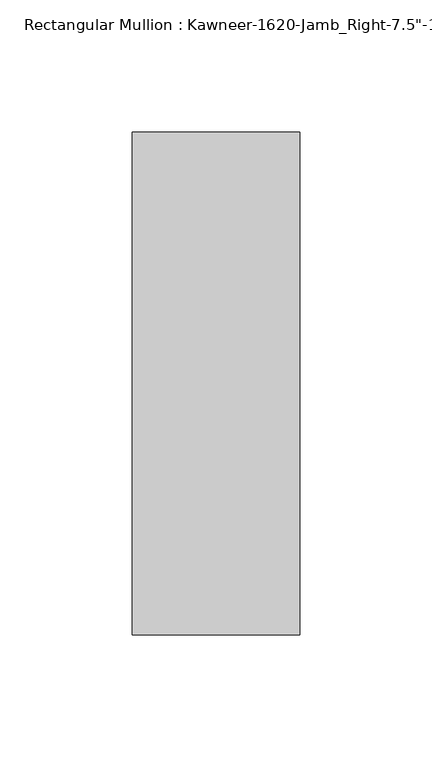
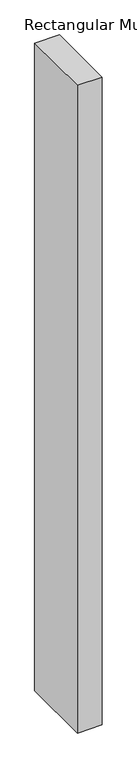
"""IFC4 building model written with IfcOpenShell, lengths in millimetres: member geometry."""

from ifc_helpers import new_model, si_unit, frame, origin, place, context, project, spatial, polyline, outline, extrude, source, transform, mapped, element, save


def member_f34bbc88(model_context):
    return source(origin(), model_context, "Body", "SweptSolid", [
        extrude(outline(polyline([(-63.5, 28.575), (0.0, 28.575), (0.0, -161.925), (-63.5, -161.925), (-63.5, 28.575)])), frame((0.0, 0.0, -1765.3), z_axis=(0.0, 0.0, 1.0), x_axis=(1.0, 0.0, 0.0)), (0.0, 0.0, 1.0), 1765.3),
    ])


if __name__ == "__main__":
    model = new_model("IFC4")
    model_context = context("Model", 3, world=origin())
    ifc_project = project(units=[si_unit("LENGTHUNIT", "METRE", prefix="MILLI")], contexts=[model_context])
    site = spatial("IfcSite", under=ifc_project)
    building = spatial("IfcBuilding", under=site)
    placement = place(None, origin())
    member_shape = member_f34bbc88(model_context)
    element("IfcMember", 1, ObjectType="Rectangular Mullion : Kawneer-1620-Jamb_Right-7.5\"-1/4\"Infill", at=placement, inside=building, context=model_context, shape_type="MappedRepresentation", body=[
        mapped(member_shape, transform((0.0, 0.0, 0.0), x_axis=(1.0, 0.0, 0.0), y_axis=(0.0, 1.0, 0.0), z_axis=(0.0, 0.0, 1.0))),
    ])
    save(model, "model.ifc")
